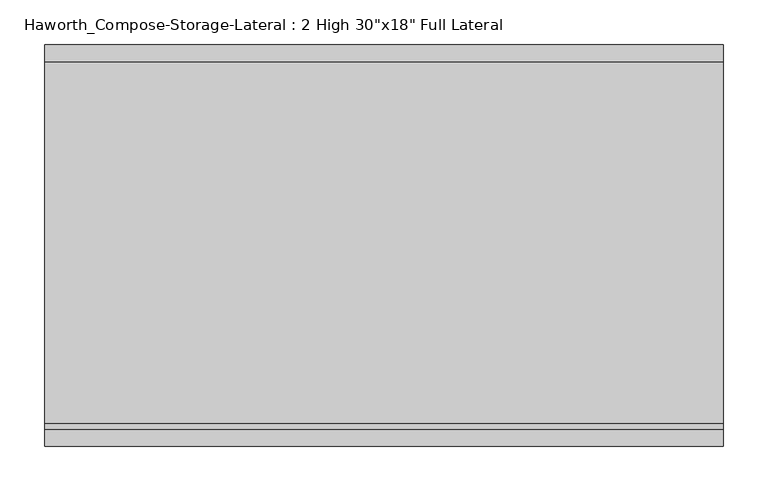
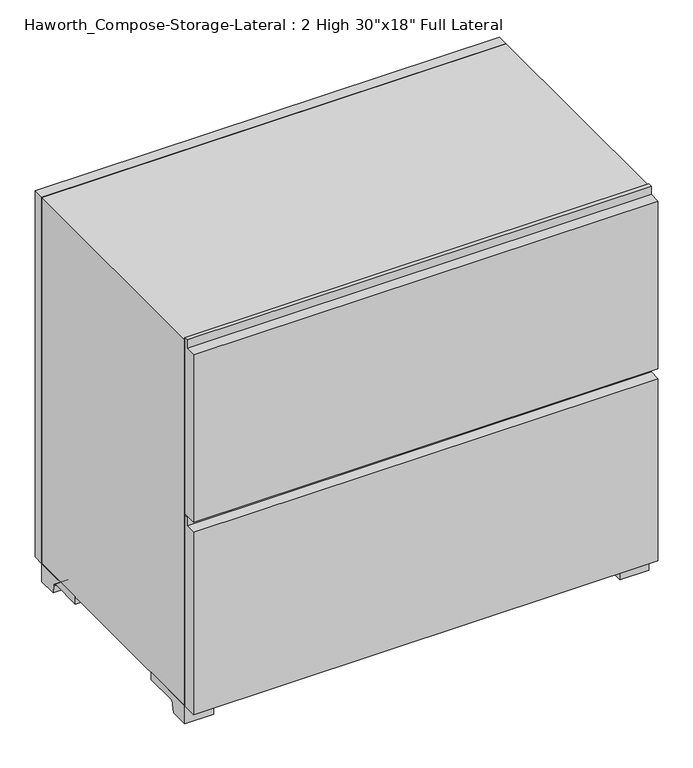
"""IFC4 building model written with IfcOpenShell, lengths in millimetres: furniture geometry."""

from ifc_helpers import new_model, si_unit, point, frame, frame_2d, origin, place, context, project, spatial, polyline, circle_curve, trimmed, segment, composite_curve, outline, extrude, source, transform, mapped, element, save


def furniture_fb049212(model_context):
    return source(origin(), model_context, "Body", "SweptSolid", [
        extrude(outline(polyline([(-152.4, 365.125), (-177.8, 365.125), (-177.8, 655.6375), (-158.75, 655.6375), (-158.75, 669.925), (-152.4, 669.925), (-152.4, 365.125)])), frame((-380.9861094, 0.0, 0.0), z_axis=(1.0, 0.0, 0.0), x_axis=(0.0, 1.0, 0.0)), (0.0, 0.0, 1.0), 762.0),
        extrude(outline(polyline([(-152.4, 31.75), (-177.8, 31.75), (-177.8, 347.6625), (-158.75, 347.6625), (-158.75, 361.95), (-152.4, 361.95), (-152.4, 31.75)])), frame((-380.9861094, 0.0, 0.0), z_axis=(1.0, 0.0, 0.0), x_axis=(0.0, 1.0, 0.0)), (0.0, 0.0, 1.0), 762.0),
        extrude(outline(composite_curve([segment(polyline([(-120.65, 0.0), (-152.4, 0.0), (-152.4, 31.75), (-57.15, 31.75), (-57.15, 19.05), (-112.1833333, 19.05)]), True, "CONTINUOUS"), segment(trimmed(circle_curve(frame_2d((-112.1833333, 12.7)), 6.35), [point((-112.1833333, 19.05))], [point((-118.5333333, 12.7))], True, "CARTESIAN"), True, "CONTINUOUS"), segment(polyline([(-118.5333333, 12.7), (-120.65, 0.0)]), True, "CONTINUOUS")], self_intersect=False)), frame((333.3888906, 0.0, 0.0), z_axis=(1.0, 0.0, 0.0), x_axis=(0.0, 1.0, 0.0)), (0.0, 0.0, 1.0), 47.625),
        extrude(outline(composite_curve([segment(polyline([(222.25, 0.0), (220.1333333, 12.7)]), True, "CONTINUOUS"), segment(trimmed(circle_curve(frame_2d((213.7833333, 12.7)), 6.35), [point((220.1333333, 12.7))], [point((213.7833333, 19.05))], True, "CARTESIAN"), True, "CONTINUOUS"), segment(polyline([(213.7833333, 19.05), (158.75, 19.05), (158.75, 31.75), (254.0, 31.75), (254.0, 0.0), (222.25, 0.0)]), True, "CONTINUOUS")], self_intersect=False)), frame((333.3888906, 0.0, 0.0), z_axis=(1.0, 0.0, 0.0), x_axis=(0.0, 1.0, 0.0)), (0.0, 0.0, 1.0), 47.625),
        extrude(outline(composite_curve([segment(polyline([(-120.65, 0.0), (-152.4, 0.0), (-152.4, 31.75), (-57.15, 31.75), (-57.15, 19.05), (-112.1833333, 19.05)]), True, "CONTINUOUS"), segment(trimmed(circle_curve(frame_2d((-112.1833333, 12.7)), 6.35), [point((-112.1833333, 19.05))], [point((-118.5333333, 12.7))], True, "CARTESIAN"), True, "CONTINUOUS"), segment(polyline([(-118.5333333, 12.7), (-120.65, 0.0)]), True, "CONTINUOUS")], self_intersect=False)), frame((-380.9861094, 0.0, 0.0), z_axis=(1.0, 0.0, 0.0), x_axis=(0.0, 1.0, 0.0)), (0.0, 0.0, 1.0), 47.625),
        extrude(outline(composite_curve([segment(polyline([(222.25, 0.0), (220.1333333, 12.7)]), True, "CONTINUOUS"), segment(trimmed(circle_curve(frame_2d((213.7833333, 12.7)), 6.35), [point((220.1333333, 12.7))], [point((213.7833333, 19.05))], True, "CARTESIAN"), True, "CONTINUOUS"), segment(polyline([(213.7833333, 19.05), (158.75, 19.05), (158.75, 31.75), (254.0, 31.75), (254.0, 0.0), (222.25, 0.0)]), True, "CONTINUOUS")], self_intersect=False)), frame((-380.9861094, 0.0, 0.0), z_axis=(1.0, 0.0, 0.0), x_axis=(0.0, 1.0, 0.0)), (0.0, 0.0, 1.0), 47.625),
        extrude(outline(polyline([(381.0138906, 254.0), (-380.9861094, 254.0), (-380.9861094, 273.05), (381.0138906, 273.05), (381.0138906, 254.0)])), frame((0.0, 0.0, 31.75), z_axis=(0.0, 0.0, 1.0), x_axis=(1.0, 0.0, 0.0)), (0.0, 0.0, 1.0), 635.0),
        extrude(outline(polyline([(31.75, -380.9861094), (31.75, 381.0), (666.75, 381.0), (666.75, -380.9861094), (31.75, -380.9861094)]), holes=[polyline([(50.8, -361.9361094), (647.7, -361.9361094), (647.7, 361.9361094), (50.8, 361.9361094), (50.8, -361.9361094)])]), frame((0.0, -152.4, 0.0), z_axis=(0.0, 1.0, 0.0), x_axis=(0.0, 0.0, 1.0)), (0.0, 0.0, 1.0), 406.4),
        extrude(outline(polyline([(-361.9291641, 219.075), (-361.9291641, 228.6), (361.9569453, 228.6), (361.9569453, 219.075), (-361.9291641, 219.075)])), frame((0.0, 0.0, 50.8), z_axis=(0.0, 0.0, 1.0), x_axis=(1.0, 0.0, 0.0)), (0.0, 0.0, 1.0), 596.9),
    ])


if __name__ == "__main__":
    model = new_model("IFC4")
    model_context = context("Model", 3, world=origin())
    ifc_project = project(units=[si_unit("LENGTHUNIT", "METRE", prefix="MILLI")], contexts=[model_context])
    site = spatial("IfcSite", under=ifc_project)
    building = spatial("IfcBuilding", under=site)
    placement = place(None, origin())
    furniture_shape = furniture_fb049212(model_context)
    element("IfcFurniture", 1, ObjectType="Haworth_Compose-Storage-Lateral : 2 High 30\"x18\" Full Lateral", at=placement, inside=building, context=model_context, shape_type="MappedRepresentation", body=[
        mapped(furniture_shape, transform((0.0, 0.0, 0.0), x_axis=(1.0, 0.0, 0.0), y_axis=(0.0, 1.0, 0.0), z_axis=(0.0, 0.0, 1.0))),
    ])
    save(model, "model.ifc")
